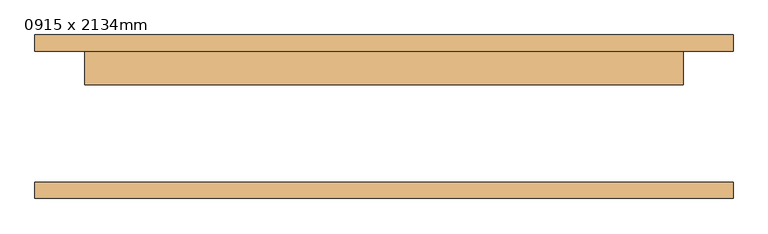
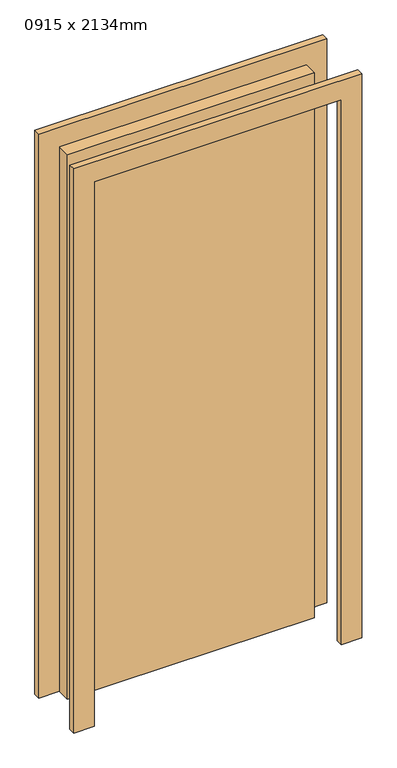
"""IFC4 building model written with IfcOpenShell, lengths in millimetres: door geometry, 0915 x 2134mm."""

from ifc_helpers import new_model, si_unit, frame, origin, origin_with_axes, place, context, project, spatial, polyline, outline, extrude, source, transform, mapped, element, save


def door_0915_x_2134mm_6a9e8738(model_context):
    return source(origin(), model_context, "Body", "SweptSolid", [
        extrude(outline(polyline([(2210.0, -533.5), (0.0, -533.5), (0.0, -457.5), (2134.0, -457.5), (2134.0, 457.5), (0.0, 457.5), (0.0, 533.5), (2210.0, 533.5), (2210.0, -533.5)])), frame((0.0, 100.0, 0.0), z_axis=(0.0, 1.0, 0.0), x_axis=(0.0, 0.0, 1.0)), (0.0, 0.0, 1.0), 25.0),
        extrude(outline(polyline([(2210.0, 533.5), (2210.0, -533.5), (0.0, -533.5), (0.0, -457.5), (2134.0, -457.5), (2134.0, 457.5), (0.0, 457.5), (0.0, 533.5), (2210.0, 533.5)])), frame((0.0, -125.0, 0.0), z_axis=(0.0, 1.0, 0.0), x_axis=(0.0, 0.0, 1.0)), (0.0, 0.0, 1.0), 25.0),
        extrude(outline(polyline([(457.5, 49.0), (-457.5, 49.0), (-457.5, 100.0), (457.5, 100.0), (457.5, 49.0)])), origin_with_axes(), (0.0, 0.0, 1.0), 2134.0),
    ])


if __name__ == "__main__":
    model = new_model("IFC4")
    model_context = context("Model", 3, world=origin())
    ifc_project = project(units=[si_unit("LENGTHUNIT", "METRE", prefix="MILLI")], contexts=[model_context])
    site = spatial("IfcSite", under=ifc_project)
    building = spatial("IfcBuilding", under=site)
    placement = place(None, origin())
    door_0915_x_2134mm_shape = door_0915_x_2134mm_6a9e8738(model_context)
    element("IfcDoor", 1, ObjectType="0915 x 2134mm", at=placement, inside=building, context=model_context, shape_type="MappedRepresentation", body=[
        mapped(door_0915_x_2134mm_shape, transform((0.0, 0.0, 0.0), x_axis=(1.0, 0.0, 0.0), y_axis=(0.0, 1.0, 0.0), z_axis=(0.0, 0.0, 1.0))),
    ])
    save(model, "model.ifc")
